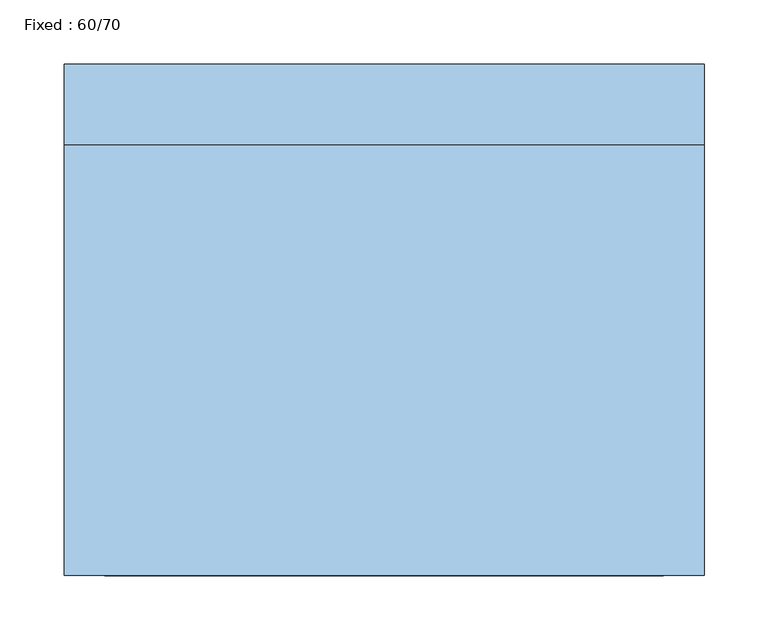
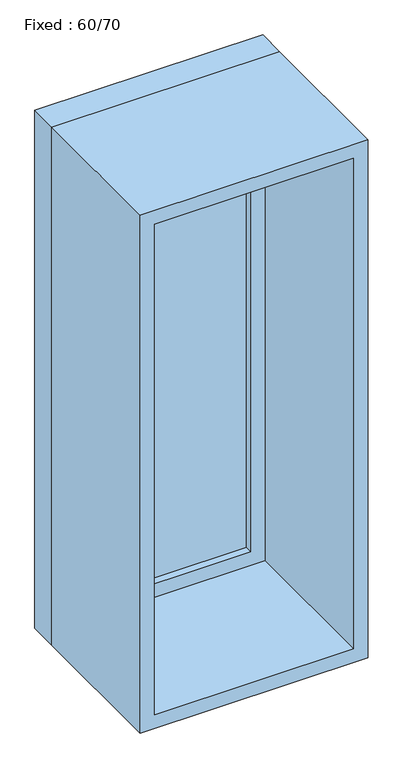
"""IFC4 building model written with IfcOpenShell, lengths in millimetres: window geometry, Fixed : 60/70."""

from ifc_helpers import new_model, si_unit, frame, origin, place, context, project, spatial, polyline, outline, extrude, source, transform, mapped, element, save


def fixed_60_70_96d8ffc8(model_context):
    return source(origin(), model_context, "Body", "SweptSolid", [
        extrude(outline(polyline([(148.4, 152.375), (-224.6, 152.375), (-224.6, 165.075), (148.4, 165.075), (148.4, 152.375)])), frame((0.0, 0.0, 977.9), z_axis=(0.0, 0.0, 1.0), x_axis=(1.0, 0.0, 0.0)), (0.0, 0.0, 1.0), 1073.0),
        extrude(outline(polyline([(2095.35, -269.05), (933.45, -269.05), (933.45, 192.85), (2095.35, 192.85), (2095.35, -269.05)]), holes=[polyline([(2050.9, -224.6), (2050.9, 148.4), (977.9, 148.4), (977.9, -224.6), (2050.9, -224.6)])]), frame((0.0, 136.5, 0.0), z_axis=(0.0, 1.0, 0.0), x_axis=(0.0, 0.0, 1.0)), (0.0, 0.0, 1.0), 44.45),
        extrude(outline(polyline([(2114.4, -288.1), (914.4, -288.1), (914.4, 211.9), (2114.4, 211.9), (2114.4, -288.1)]), holes=[polyline([(2082.65, -256.35), (2082.65, 180.15), (946.15, 180.15), (946.15, -256.35), (2082.65, -256.35)])]), frame((0.0, -200.0, 0.0), z_axis=(0.0, 1.0, 0.0), x_axis=(0.0, 0.0, 1.0)), (0.0, 0.0, 1.0), 336.5),
        extrude(outline(polyline([(2114.4, 211.9), (2114.4, -288.1), (914.4, -288.1), (914.4, 211.9), (2114.4, 211.9)]), holes=[polyline([(2095.35, 192.85), (933.45, 192.85), (933.45, -269.05), (2095.35, -269.05), (2095.35, 192.85)])]), frame((0.0, 136.5, 0.0), z_axis=(0.0, 1.0, 0.0), x_axis=(0.0, 0.0, 1.0)), (0.0, 0.0, 1.0), 63.5),
    ])


if __name__ == "__main__":
    model = new_model("IFC4")
    model_context = context("Model", 3, world=origin())
    ifc_project = project(units=[si_unit("LENGTHUNIT", "METRE", prefix="MILLI")], contexts=[model_context])
    site = spatial("IfcSite", under=ifc_project)
    building = spatial("IfcBuilding", under=site)
    placement = place(None, origin())
    fixed_60_70_shape = fixed_60_70_96d8ffc8(model_context)
    element("IfcWindow", 1, ObjectType="Fixed : 60/70", at=placement, inside=building, context=model_context, shape_type="MappedRepresentation", body=[
        mapped(fixed_60_70_shape, transform((0.0, 0.0, 0.0), x_axis=(1.0, 0.0, 0.0), y_axis=(0.0, 1.0, 0.0), z_axis=(0.0, 0.0, 1.0))),
    ])
    save(model, "model.ifc")
